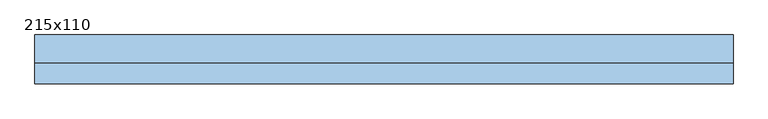
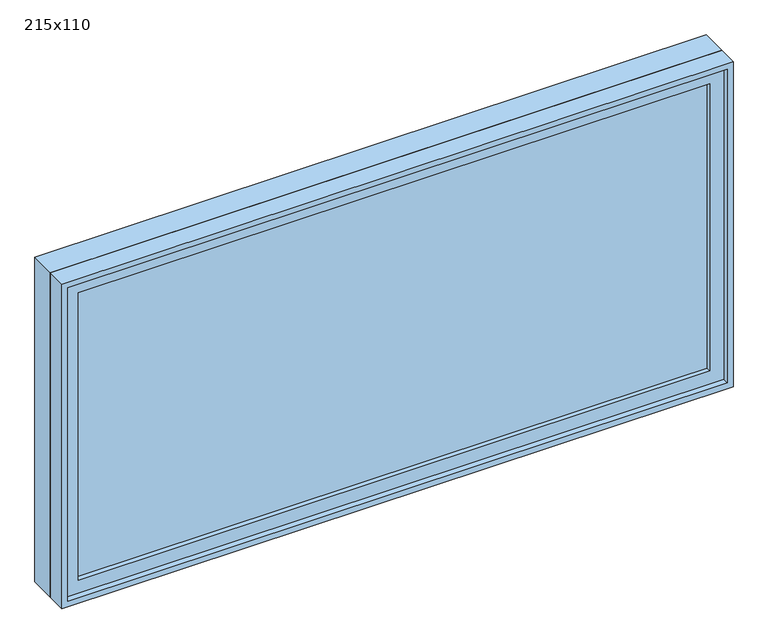
"""IFC4 building model written with IfcOpenShell, lengths in millimetres: window geometry, 215x110."""

from ifc_helpers import new_model, si_unit, frame, origin, place, context, project, spatial, polyline, outline, extrude, source, transform, mapped, element, save


def window_215x110_0ef4f6e0(model_context):
    return source(origin(), model_context, "Body", "SweptSolid", [
        extrude(outline(polyline([(973.4, -27.375), (973.4, -40.075), (-1049.6, -40.075), (-1049.6, -27.375), (973.4, -27.375)])), frame((0.0, 0.0, 977.9), z_axis=(0.0, 0.0, 1.0), x_axis=(1.0, 0.0, 0.0)), (0.0, 0.0, 1.0), 973.0),
        extrude(outline(polyline([(1995.35, -1094.05), (933.45, -1094.05), (933.45, 1017.85), (1995.35, 1017.85), (1995.35, -1094.05)]), holes=[polyline([(1950.9, -1049.6), (1950.9, 973.4), (977.9, 973.4), (977.9, -1049.6), (1950.9, -1049.6)])]), frame((0.0, -55.95, 0.0), z_axis=(0.0, 1.0, 0.0), x_axis=(0.0, 0.0, 1.0)), (0.0, 0.0, 1.0), 44.45),
        extrude(outline(polyline([(2014.4, -1113.1), (914.4, -1113.1), (914.4, 1036.9), (2014.4, 1036.9), (2014.4, -1113.1)]), holes=[polyline([(1982.65, -1081.35), (1982.65, 1005.15), (946.15, 1005.15), (946.15, -1081.35), (1982.65, -1081.35)])]), frame((0.0, -11.5, 0.0), z_axis=(0.0, 1.0, 0.0), x_axis=(0.0, 0.0, 1.0)), (0.0, 0.0, 1.0), 86.5),
        extrude(outline(polyline([(2014.4, 1036.9), (2014.4, -1113.1), (914.4, -1113.1), (914.4, 1036.9), (2014.4, 1036.9)]), holes=[polyline([(1995.35, 1017.85), (933.45, 1017.85), (933.45, -1094.05), (1995.35, -1094.05), (1995.35, 1017.85)])]), frame((0.0, -75.0, 0.0), z_axis=(0.0, 1.0, 0.0), x_axis=(0.0, 0.0, 1.0)), (0.0, 0.0, 1.0), 63.5),
    ])


if __name__ == "__main__":
    model = new_model("IFC4")
    model_context = context("Model", 3, world=origin())
    ifc_project = project(units=[si_unit("LENGTHUNIT", "METRE", prefix="MILLI")], contexts=[model_context])
    site = spatial("IfcSite", under=ifc_project)
    building = spatial("IfcBuilding", under=site)
    placement = place(None, origin())
    window_215x110_shape = window_215x110_0ef4f6e0(model_context)
    element("IfcWindow", 1, ObjectType="215x110", at=placement, inside=building, context=model_context, shape_type="MappedRepresentation", body=[
        mapped(window_215x110_shape, transform((0.0, 0.0, 0.0), x_axis=(1.0, 0.0, 0.0), y_axis=(0.0, 1.0, 0.0), z_axis=(0.0, 0.0, 1.0))),
    ])
    save(model, "model.ifc")
